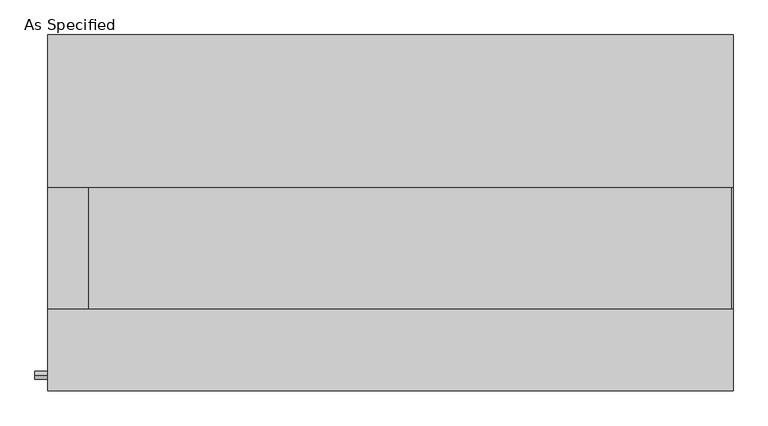
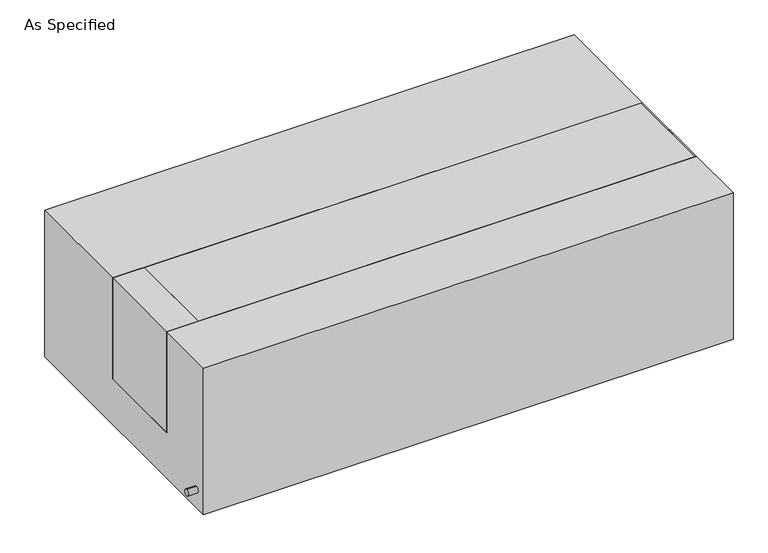
"""IFC4 building model written with IfcOpenShell, lengths in millimetres: proxy geometry, As Specified."""

from ifc_helpers import new_model, si_unit, point, frame, frame_2d, origin, place, context, project, spatial, polyline, circle_curve, trimmed, segment, composite_curve, outline, extrude, source, transform, mapped, element, save


def as_specified_0acea5b7(model_context):
    return source(origin(), model_context, "Body", "SweptSolid", [
        extrude(outline(composite_curve([segment(trimmed(circle_curve(frame_2d((-407.9875, -466.725)), 10.5), [point((-407.9875, -456.225))], [point((-407.9875, -477.225))], False, "CARTESIAN"), True, "CONTINUOUS"), segment(trimmed(circle_curve(frame_2d((-407.9875, -466.725)), 10.5), [point((-407.9875, -477.225))], [point((-407.9875, -456.225))], False, "CARTESIAN"), True, "CONTINUOUS")], self_intersect=False)), frame((-893.8528384, 0.0, 0.0), z_axis=(1.0, 0.0, 0.0), x_axis=(0.0, 1.0, 0.0)), (0.0, 0.0, 1.0), 31.8403384),
        extrude(outline(polyline([(-759.61875, 63.5), (-759.61875, -241.3), (-862.0125, -241.3), (-862.0125, 63.5), (-759.61875, 63.5)])), frame((0.0, 0.0, -373.0625), z_axis=(0.0, 0.0, 1.0), x_axis=(1.0, 0.0, 0.0)), (0.0, 0.0, 1.0), 347.6625),
        extrude(outline(polyline([(858.04375, 63.5), (862.0125, 63.5), (862.0125, -241.3), (858.04375, -241.3), (858.04375, 63.5)])), frame((0.0, 0.0, -39.6875), z_axis=(0.0, 0.0, 1.0), x_axis=(1.0, 0.0, 0.0)), (0.0, 0.0, 1.0), 14.2875),
        extrude(outline(polyline([(862.0125, 63.5), (862.0125, -241.3), (-759.61875, -241.3), (-759.61875, 63.5), (862.0125, 63.5)])), frame((0.0, 0.0, -373.0625), z_axis=(0.0, 0.0, 1.0), x_axis=(1.0, 0.0, 0.0)), (0.0, 0.0, 1.0), 347.6625),
        extrude(outline(polyline([(447.675, -25.4), (447.675, -530.225), (-447.675, -530.225), (-447.675, -25.4), (-241.3, -25.4), (-241.3, -373.0625), (63.5, -373.0625), (63.5, -25.4), (447.675, -25.4)])), frame((-862.0125, 0.0, 0.0), z_axis=(1.0, 0.0, 0.0), x_axis=(0.0, 1.0, 0.0)), (0.0, 0.0, 1.0), 1724.025),
    ])


if __name__ == "__main__":
    model = new_model("IFC4")
    model_context = context("Model", 3, world=origin())
    ifc_project = project(units=[si_unit("LENGTHUNIT", "METRE", prefix="MILLI")], contexts=[model_context])
    site = spatial("IfcSite", under=ifc_project)
    building = spatial("IfcBuilding", under=site)
    placement = place(None, origin())
    as_specified_shape = as_specified_0acea5b7(model_context)
    element("IfcBuildingElementProxy", 1, Name="As Specified", ObjectType="As Specified", at=placement, inside=building, context=model_context, shape_type="MappedRepresentation", body=[
        mapped(as_specified_shape, transform((0.0, 0.0, 0.0), x_axis=(1.0, 0.0, 0.0), y_axis=(0.0, 1.0, 0.0), z_axis=(0.0, 0.0, 1.0))),
    ])
    save(model, "model.ifc")
